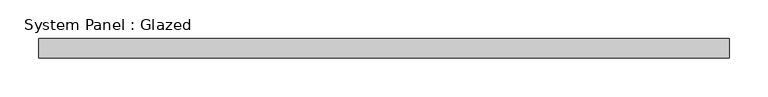
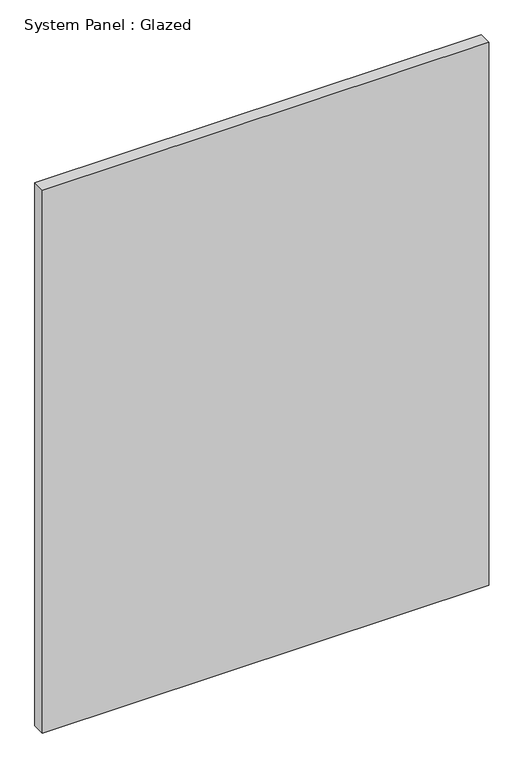
"""IFC4 building model written with IfcOpenShell, lengths in millimetres: plate geometry, System Panel : Glazed."""

import ifcopenshell
import ifcopenshell.guid

model = None  # the IFC model being written
_history = None  # IfcOwnerHistory: only IFC2X3 demands one
_inside = {}  # id of a spatial element -> (the spatial element, [elements in it])
_under = {}  # id of a project, library or spatial element -> (it, [spatial elements below it])
_declared = {}  # id of a project -> (the project, [libraries it declares])
_typed = {}  # id of a type object -> (the type object, [elements of that type])
_made_of = {}  # id of a material, layer set ... -> (it, [elements and type objects made of it])


def new_model(schema):
    """Start an empty IFC model of exactly this schema.

    Asked for "IFC4X3", IfcOpenShell would pick the latest addendum, in which some entities
    have other attributes; the version numbers below select the first issue.
    IFC2X3 requires an IfcOwnerHistory on every rooted entity: one is made here for all.
    """
    global model, _history
    if schema == "IFC4X3":
        model = ifcopenshell.file(schema_version=(4, 3, 0, 0))
    else:
        model = ifcopenshell.file(schema=schema)
    _inside.clear()
    _under.clear()
    _declared.clear()
    _typed.clear()
    _made_of.clear()
    _history = None
    if model.schema == "IFC2X3":
        org = make("IfcOrganization", Name="unknown")
        user = make(
            "IfcPersonAndOrganization",
            ThePerson=make("IfcPerson", FamilyName="unknown"),
            TheOrganization=org,
        )
        app = make(
            "IfcApplication",
            ApplicationDeveloper=org,
            Version="unknown",
            ApplicationFullName="unknown",
            ApplicationIdentifier="unknown",
        )
        _history = make(
            "IfcOwnerHistory",
            OwningUser=user,
            OwningApplication=app,
            ChangeAction="ADDED",
            CreationDate=0,
        )
    return model


def make(cls, **values):
    """One entity of the class cls with the attributes given. An attribute that is None is left unset."""
    return model.create_entity(
        cls, **{name: value for name, value in values.items() if value is not None}
    )


def rooted(cls, **values):
    """An entity with a GlobalId (a new one), such as an element, a storey or a relation."""
    return make(cls, GlobalId=ifcopenshell.guid.new(), OwnerHistory=_history, **values)


def si_unit(unit_type, name, prefix=None):
    """IfcSIUnit, for example si_unit("LENGTHUNIT", "METRE", prefix="MILLI")."""
    return make("IfcSIUnit", UnitType=unit_type, Prefix=prefix, Name=name)


def assignment(units):
    """IfcUnitAssignment: the units of a project."""
    return None if units is None else make("IfcUnitAssignment", Units=units)


def point(xyz):
    """IfcCartesianPoint."""
    return None if xyz is None else make("IfcCartesianPoint", Coordinates=xyz)


def direction(xyz):
    """IfcDirection."""
    return None if xyz is None else make("IfcDirection", DirectionRatios=xyz)


def frame(location, z_axis=None, x_axis=None):
    """IfcAxis2Placement3D, a coordinate frame: its origin and axes. An axis left out is left unset."""
    return make(
        "IfcAxis2Placement3D",
        Location=point(location),
        Axis=direction(z_axis),
        RefDirection=direction(x_axis),
    )


def origin():
    """The frame at (0, 0, 0) with its axes left unset."""
    return frame((0.0, 0.0, 0.0))


def origin_with_axes():
    """The frame at (0, 0, 0) with the z axis (0, 0, 1) and the x axis (1, 0, 0) written out."""
    return frame((0.0, 0.0, 0.0), z_axis=(0.0, 0.0, 1.0), x_axis=(1.0, 0.0, 0.0))


def place(relative_to, where):
    """IfcLocalPlacement: puts the frame where relative to a parent placement (None: the world)."""
    return make(
        "IfcLocalPlacement", PlacementRelTo=relative_to, RelativePlacement=where
    )


def context(
    kind, dimensions, precision=None, world=None, true_north=None, identifier=None
):
    """IfcGeometricRepresentationContext, for example the 3D "Model" context."""
    return make(
        "IfcGeometricRepresentationContext",
        ContextIdentifier=identifier,
        ContextType=kind,
        CoordinateSpaceDimension=dimensions,
        Precision=precision,
        WorldCoordinateSystem=world,
        TrueNorth=true_north,
    )


def project(units=None, contexts=None):
    """IfcProject with its units and contexts."""
    return rooted(
        "IfcProject",
        Name="project",
        RepresentationContexts=contexts,
        UnitsInContext=assignment(units),
    )


def spatial(cls, under=None, at=None, **own):
    """A site, building, storey or space (cls), placed at a placement, below another one or the project."""
    s = rooted(cls, ObjectPlacement=at, **own)
    if under is not None:
        _under.setdefault(under.id(), (under, []))[1].append(s)
    return s


def polyline(points):
    """IfcPolyline through the points."""
    return make("IfcPolyline", Points=[point(p) for p in points])


def outline(outer, holes=None, kind="AREA"):
    """IfcArbitraryClosedProfileDef: a profile drawn as a closed curve; with holes, ...WithVoids."""
    if holes is None:
        return make("IfcArbitraryClosedProfileDef", ProfileType=kind, OuterCurve=outer)
    return make(
        "IfcArbitraryProfileDefWithVoids",
        ProfileType=kind,
        OuterCurve=outer,
        InnerCurves=holes,
    )


def extrude(swept, where, along, depth):
    """IfcExtrudedAreaSolid: the profile swept, set in the frame where, extruded along a direction by depth."""
    return make(
        "IfcExtrudedAreaSolid",
        SweptArea=swept,
        Position=where,
        ExtrudedDirection=direction(along),
        Depth=depth,
    )


def shape(context_of_items, identifier, shape_type, items):
    """IfcShapeRepresentation: the items that make up one representation, for example the "Body"."""
    return make(
        "IfcShapeRepresentation",
        ContextOfItems=context_of_items,
        RepresentationIdentifier=identifier,
        RepresentationType=shape_type,
        Items=items,
    )


def source(mapping_origin, context_of_items, identifier, shape_type, items):
    """IfcRepresentationMap: a shape defined once, which mapped items show again and again."""
    return make(
        "IfcRepresentationMap",
        MappingOrigin=mapping_origin,
        MappedRepresentation=shape(context_of_items, identifier, shape_type, items),
    )


def transform(
    local_origin,
    x_axis=None,
    y_axis=None,
    z_axis=None,
    scale=None,
    scale2=None,
    scale3=None,
    uniform=True,
):
    """IfcCartesianTransformationOperator3D, or its non-uniform kind. x_axis, y_axis, z_axis: its Axis1, 2, 3."""
    if uniform:
        return make(
            "IfcCartesianTransformationOperator3D",
            Axis1=direction(x_axis),
            Axis2=direction(y_axis),
            LocalOrigin=point(local_origin),
            Scale=scale,
            Axis3=direction(z_axis),
        )
    return make(
        "IfcCartesianTransformationOperator3DnonUniform",
        Axis1=direction(x_axis),
        Axis2=direction(y_axis),
        LocalOrigin=point(local_origin),
        Scale=scale,
        Axis3=direction(z_axis),
        Scale2=scale2,
        Scale3=scale3,
    )


def mapped(mapping_source, mapping_target):
    """IfcMappedItem: shows the shape of a source again, moved by a transform."""
    return make(
        "IfcMappedItem", MappingSource=mapping_source, MappingTarget=mapping_target
    )


def made_of(thing, what):
    """Note that an element or type object is made of a material, layer set ...; save() writes the relation."""
    if what is not None:
        _made_of.setdefault(what.id(), (what, []))[1].append(thing)
    return thing


def element(
    cls,
    number,
    at=None,
    inside=None,
    cuts=None,
    type_object=None,
    material=None,
    context=None,
    identifier="Body",
    shape_type=None,
    held_by="IfcProductDefinitionShape",
    body=None,
    shapes=None,
    **own,
):
    """One element of the class cls, such as IfcWall. Its Tag is "e" and its number.

    at: its placement. inside: the storey or other place that contains it. cuts: it is an
    opening in that element (IfcRelVoidsElement). A single representation is given by context,
    identifier, shape_type and body (its items); several are given by shapes. held_by: the class
    of the entity that holds the representations. save() writes the other relations.
    """
    e = rooted(cls, Tag="e%d" % number, ObjectPlacement=at, **own)
    if body is not None:
        shapes = [shape(context, identifier, shape_type, body)]
    if shapes is not None:
        e.Representation = make(held_by, Representations=shapes)
    if inside is not None:
        _inside.setdefault(inside.id(), (inside, []))[1].append(e)
    if cuts is not None:
        rooted(
            "IfcRelVoidsElement", RelatingBuildingElement=cuts, RelatedOpeningElement=e
        )
    if type_object is not None:
        _typed.setdefault(type_object.id(), (type_object, []))[1].append(e)
    return made_of(e, material)


def aggregate(whole, parts):
    """IfcRelAggregates: a whole, such as a stair, and the parts it consists of."""
    return rooted("IfcRelAggregates", RelatingObject=whole, RelatedObjects=parts)


def save(model, path):
    """Write the relations noted so far, then the file.

    IfcRelAggregates (storeys below a building ...), IfcRelContainedInSpatialStructure (elements
    in a storey), IfcRelDefinesByType, IfcRelAssociatesMaterial and IfcRelDeclares: one each for
    every whole, place, type object, material and project.
    """
    for whole, parts in _under.values():
        aggregate(whole, parts)
    for where, things in _inside.values():
        rooted(
            "IfcRelContainedInSpatialStructure",
            RelatedElements=things,
            RelatingStructure=where,
        )
    for kind, things in _typed.values():
        rooted("IfcRelDefinesByType", RelatedObjects=things, RelatingType=kind)
    for what, things in _made_of.values():
        rooted("IfcRelAssociatesMaterial", RelatedObjects=things, RelatingMaterial=what)
    for by, libraries in _declared.values():
        rooted("IfcRelDeclares", RelatingContext=by, RelatedDefinitions=libraries)
    model.write(path)


def system_panel_glazed_5ba66412(model_context):
    return source(origin(), model_context, "Body", "SweptSolid", [
        extrude(outline(polyline([(446.4742898, -12.7), (-446.4742898, -12.7), (-446.4742898, 12.7), (446.4742898, 12.7), (446.4742898, -12.7)])), origin_with_axes(), (0.0, 0.0, 1.0), 1148.5626254),
    ])


if __name__ == "__main__":
    model = new_model("IFC4")
    model_context = context("Model", 3, world=origin())
    ifc_project = project(units=[si_unit("LENGTHUNIT", "METRE", prefix="MILLI")], contexts=[model_context])
    site = spatial("IfcSite", under=ifc_project)
    building = spatial("IfcBuilding", under=site)
    placement = place(None, origin())
    system_panel_glazed_shape = system_panel_glazed_5ba66412(model_context)
    element("IfcPlate", 1, ObjectType="System Panel : Glazed", at=placement, inside=building, context=model_context, shape_type="MappedRepresentation", body=[
        mapped(system_panel_glazed_shape, transform((0.0, 0.0, 0.0), x_axis=(1.0, 0.0, 0.0), y_axis=(0.0, 1.0, 0.0), z_axis=(0.0, 0.0, 1.0))),
    ])
    save(model, "model.ifc")
